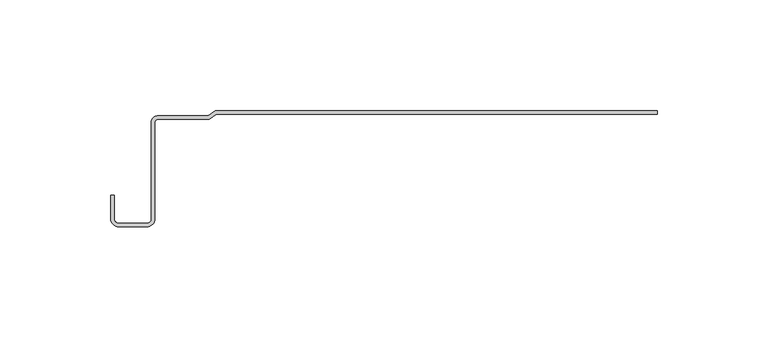
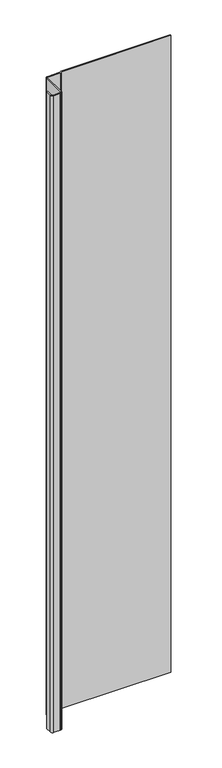
"""IFC4 building model written with IfcOpenShell, lengths in millimetres: plate geometry."""

from ifc_helpers import new_model, si_unit, point, frame_2d, origin, origin_with_axes, place, context, project, spatial, polyline, circle_curve, trimmed, segment, composite_curve, outline, extrude, source, transform, mapped, element, save


def plate_47fdefc5(model_context):
    return source(origin(), model_context, "Body", "SweptSolid", [
        extrude(outline(composite_curve([segment(polyline([(-84.3444799, -1.5980513), (-87.5264404, -3.9845217), (-111.0104877, -3.9845217)]), True, "CONTINUOUS"), segment(trimmed(circle_curve(frame_2d((-111.0104877, -5.126492)), 1.1419703), [point((-111.0104877, -3.9845217))], [point((-112.152458, -5.126492))], True, "CARTESIAN"), True, "CONTINUOUS"), segment(polyline([(-112.152458, -5.126492), (-112.152458, -48.8784494)]), True, "CONTINUOUS"), segment(trimmed(circle_curve(frame_2d((-115.7834285, -48.8784494)), 3.6309705), [point((-112.152458, -48.8784494))], [point((-115.7834285, -52.5094199))], False, "CARTESIAN"), True, "CONTINUOUS"), segment(polyline([(-115.7834285, -52.5094199), (-128.5112707, -52.5094199)]), True, "CONTINUOUS"), segment(trimmed(circle_curve(frame_2d((-128.5112707, -48.8784494)), 3.6309705), [point((-128.5112707, -52.5094199))], [point((-132.1422412, -48.8784494))], False, "CARTESIAN"), True, "CONTINUOUS"), segment(polyline([(-132.1422412, -48.8784494), (-132.1422412, -38.1835265), (-130.5441899, -38.1835265), (-130.5441899, -48.8784494)]), True, "CONTINUOUS"), segment(trimmed(circle_curve(frame_2d((-128.5112707, -48.8784494)), 2.0329192), [point((-130.5441899, -48.8784494))], [point((-128.5112707, -50.9113686))], True, "CARTESIAN"), True, "CONTINUOUS"), segment(polyline([(-128.5112707, -50.9113686), (-115.7834285, -50.9113686)]), True, "CONTINUOUS"), segment(trimmed(circle_curve(frame_2d((-115.7834285, -48.8784494)), 2.0329192), [point((-115.7834285, -50.9113686))], [point((-113.7505093, -48.8784494))], True, "CARTESIAN"), True, "CONTINUOUS"), segment(polyline([(-113.7505093, -48.8784494), (-113.7505093, -5.126492)]), True, "CONTINUOUS"), segment(trimmed(circle_curve(frame_2d((-111.0104877, -5.126492)), 2.7400216), [point((-113.7505093, -5.126492))], [point((-111.0104877, -2.3864704))], False, "CARTESIAN"), True, "CONTINUOUS"), segment(polyline([(-111.0104877, -2.3864704), (-88.0591242, -2.3864704), (-84.8771636, 0.0), (114.9042607, 0.0), (114.9042607, -1.5980513), (-84.3444799, -1.5980513)]), True, "CONTINUOUS")], self_intersect=False)), origin_with_axes(), (0.0, 0.0, 1.0), 1228.3559792),
    ])


if __name__ == "__main__":
    model = new_model("IFC4")
    model_context = context("Model", 3, world=origin())
    ifc_project = project(units=[si_unit("LENGTHUNIT", "METRE", prefix="MILLI")], contexts=[model_context])
    site = spatial("IfcSite", under=ifc_project)
    building = spatial("IfcBuilding", under=site)
    placement = place(None, origin())
    plate_shape = plate_47fdefc5(model_context)
    element("IfcPlate", 1, at=placement, inside=building, context=model_context, shape_type="MappedRepresentation", body=[
        mapped(plate_shape, transform((0.0, 0.0, 0.0), x_axis=(1.0, 0.0, 0.0), y_axis=(0.0, 1.0, 0.0), z_axis=(0.0, 0.0, 1.0))),
    ])
    save(model, "model.ifc")
